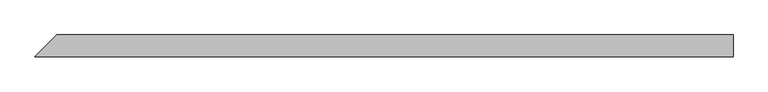
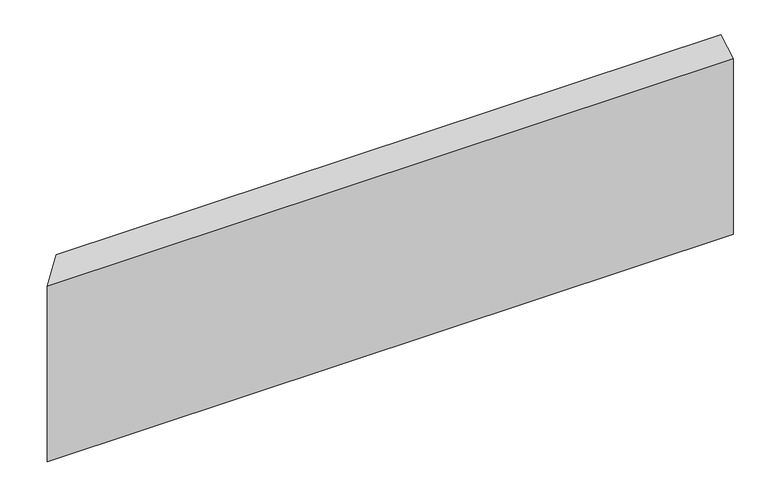
"""IFC4 building model written with IfcOpenShell, lengths in millimetres: beam geometry."""

import ifcopenshell
import ifcopenshell.guid

model = None  # the IFC model being written
_history = None  # IfcOwnerHistory: only IFC2X3 demands one
_inside = {}  # id of a spatial element -> (the spatial element, [elements in it])
_under = {}  # id of a project, library or spatial element -> (it, [spatial elements below it])
_declared = {}  # id of a project -> (the project, [libraries it declares])
_typed = {}  # id of a type object -> (the type object, [elements of that type])
_made_of = {}  # id of a material, layer set ... -> (it, [elements and type objects made of it])


def new_model(schema):
    """Start an empty IFC model of exactly this schema.

    Asked for "IFC4X3", IfcOpenShell would pick the latest addendum, in which some entities
    have other attributes; the version numbers below select the first issue.
    IFC2X3 requires an IfcOwnerHistory on every rooted entity: one is made here for all.
    """
    global model, _history
    if schema == "IFC4X3":
        model = ifcopenshell.file(schema_version=(4, 3, 0, 0))
    else:
        model = ifcopenshell.file(schema=schema)
    _inside.clear()
    _under.clear()
    _declared.clear()
    _typed.clear()
    _made_of.clear()
    _history = None
    if model.schema == "IFC2X3":
        org = make("IfcOrganization", Name="unknown")
        user = make(
            "IfcPersonAndOrganization",
            ThePerson=make("IfcPerson", FamilyName="unknown"),
            TheOrganization=org,
        )
        app = make(
            "IfcApplication",
            ApplicationDeveloper=org,
            Version="unknown",
            ApplicationFullName="unknown",
            ApplicationIdentifier="unknown",
        )
        _history = make(
            "IfcOwnerHistory",
            OwningUser=user,
            OwningApplication=app,
            ChangeAction="ADDED",
            CreationDate=0,
        )
    return model


def make(cls, **values):
    """One entity of the class cls with the attributes given. An attribute that is None is left unset."""
    return model.create_entity(
        cls, **{name: value for name, value in values.items() if value is not None}
    )


def rooted(cls, **values):
    """An entity with a GlobalId (a new one), such as an element, a storey or a relation."""
    return make(cls, GlobalId=ifcopenshell.guid.new(), OwnerHistory=_history, **values)


def si_unit(unit_type, name, prefix=None):
    """IfcSIUnit, for example si_unit("LENGTHUNIT", "METRE", prefix="MILLI")."""
    return make("IfcSIUnit", UnitType=unit_type, Prefix=prefix, Name=name)


def assignment(units):
    """IfcUnitAssignment: the units of a project."""
    return None if units is None else make("IfcUnitAssignment", Units=units)


def point(xyz):
    """IfcCartesianPoint."""
    return None if xyz is None else make("IfcCartesianPoint", Coordinates=xyz)


def direction(xyz):
    """IfcDirection."""
    return None if xyz is None else make("IfcDirection", DirectionRatios=xyz)


def frame(location, z_axis=None, x_axis=None):
    """IfcAxis2Placement3D, a coordinate frame: its origin and axes. An axis left out is left unset."""
    return make(
        "IfcAxis2Placement3D",
        Location=point(location),
        Axis=direction(z_axis),
        RefDirection=direction(x_axis),
    )


def origin():
    """The frame at (0, 0, 0) with its axes left unset."""
    return frame((0.0, 0.0, 0.0))


def place(relative_to, where):
    """IfcLocalPlacement: puts the frame where relative to a parent placement (None: the world)."""
    return make(
        "IfcLocalPlacement", PlacementRelTo=relative_to, RelativePlacement=where
    )


def context(
    kind, dimensions, precision=None, world=None, true_north=None, identifier=None
):
    """IfcGeometricRepresentationContext, for example the 3D "Model" context."""
    return make(
        "IfcGeometricRepresentationContext",
        ContextIdentifier=identifier,
        ContextType=kind,
        CoordinateSpaceDimension=dimensions,
        Precision=precision,
        WorldCoordinateSystem=world,
        TrueNorth=true_north,
    )


def project(units=None, contexts=None):
    """IfcProject with its units and contexts."""
    return rooted(
        "IfcProject",
        Name="project",
        RepresentationContexts=contexts,
        UnitsInContext=assignment(units),
    )


def spatial(cls, under=None, at=None, **own):
    """A site, building, storey or space (cls), placed at a placement, below another one or the project."""
    s = rooted(cls, ObjectPlacement=at, **own)
    if under is not None:
        _under.setdefault(under.id(), (under, []))[1].append(s)
    return s


def faces_of(points, faces, orient=None, outer=None):
    """IfcFace entities. A face is a list of loops; a loop is a list of indices into points, from 0.

    orient and outer hold one flag for each loop. By default every Orientation is true, the
    first loop of a face is its IfcFaceOuterBound and the others are IfcFaceBound.
    """
    made = []
    for i, loops in enumerate(faces):
        bounds = []
        for j, loop in enumerate(loops):
            is_outer = j == 0 if outer is None else outer[i][j]
            bounds.append(
                make(
                    "IfcFaceOuterBound" if is_outer else "IfcFaceBound",
                    Bound=make("IfcPolyLoop", Polygon=[points[k] for k in loop]),
                    Orientation=True if orient is None else orient[i][j],
                )
            )
        made.append(make("IfcFace", Bounds=bounds))
    return made


def faceted_brep(points, faces, orient=None, outer=None, voids=None):
    """IfcFacetedBrep: a solid bounded by flat faces; with voids (closed shells), ...WithVoids."""
    shared = [point(p) for p in points]
    hull = make("IfcClosedShell", CfsFaces=faces_of(shared, faces, orient, outer))
    if voids is None:
        return make("IfcFacetedBrep", Outer=hull)
    return make(
        "IfcFacetedBrepWithVoids",
        Outer=hull,
        Voids=[
            make(cls, CfsFaces=faces_of(shared, fs, o, b)) for cls, fs, o, b in voids
        ],
    )


def shape(context_of_items, identifier, shape_type, items):
    """IfcShapeRepresentation: the items that make up one representation, for example the "Body"."""
    return make(
        "IfcShapeRepresentation",
        ContextOfItems=context_of_items,
        RepresentationIdentifier=identifier,
        RepresentationType=shape_type,
        Items=items,
    )


def source(mapping_origin, context_of_items, identifier, shape_type, items):
    """IfcRepresentationMap: a shape defined once, which mapped items show again and again."""
    return make(
        "IfcRepresentationMap",
        MappingOrigin=mapping_origin,
        MappedRepresentation=shape(context_of_items, identifier, shape_type, items),
    )


def transform(
    local_origin,
    x_axis=None,
    y_axis=None,
    z_axis=None,
    scale=None,
    scale2=None,
    scale3=None,
    uniform=True,
):
    """IfcCartesianTransformationOperator3D, or its non-uniform kind. x_axis, y_axis, z_axis: its Axis1, 2, 3."""
    if uniform:
        return make(
            "IfcCartesianTransformationOperator3D",
            Axis1=direction(x_axis),
            Axis2=direction(y_axis),
            LocalOrigin=point(local_origin),
            Scale=scale,
            Axis3=direction(z_axis),
        )
    return make(
        "IfcCartesianTransformationOperator3DnonUniform",
        Axis1=direction(x_axis),
        Axis2=direction(y_axis),
        LocalOrigin=point(local_origin),
        Scale=scale,
        Axis3=direction(z_axis),
        Scale2=scale2,
        Scale3=scale3,
    )


def mapped(mapping_source, mapping_target):
    """IfcMappedItem: shows the shape of a source again, moved by a transform."""
    return make(
        "IfcMappedItem", MappingSource=mapping_source, MappingTarget=mapping_target
    )


def made_of(thing, what):
    """Note that an element or type object is made of a material, layer set ...; save() writes the relation."""
    if what is not None:
        _made_of.setdefault(what.id(), (what, []))[1].append(thing)
    return thing


def element(
    cls,
    number,
    at=None,
    inside=None,
    cuts=None,
    type_object=None,
    material=None,
    context=None,
    identifier="Body",
    shape_type=None,
    held_by="IfcProductDefinitionShape",
    body=None,
    shapes=None,
    **own,
):
    """One element of the class cls, such as IfcWall. Its Tag is "e" and its number.

    at: its placement. inside: the storey or other place that contains it. cuts: it is an
    opening in that element (IfcRelVoidsElement). A single representation is given by context,
    identifier, shape_type and body (its items); several are given by shapes. held_by: the class
    of the entity that holds the representations. save() writes the other relations.
    """
    e = rooted(cls, Tag="e%d" % number, ObjectPlacement=at, **own)
    if body is not None:
        shapes = [shape(context, identifier, shape_type, body)]
    if shapes is not None:
        e.Representation = make(held_by, Representations=shapes)
    if inside is not None:
        _inside.setdefault(inside.id(), (inside, []))[1].append(e)
    if cuts is not None:
        rooted(
            "IfcRelVoidsElement", RelatingBuildingElement=cuts, RelatedOpeningElement=e
        )
    if type_object is not None:
        _typed.setdefault(type_object.id(), (type_object, []))[1].append(e)
    return made_of(e, material)


def aggregate(whole, parts):
    """IfcRelAggregates: a whole, such as a stair, and the parts it consists of."""
    return rooted("IfcRelAggregates", RelatingObject=whole, RelatedObjects=parts)


def save(model, path):
    """Write the relations noted so far, then the file.

    IfcRelAggregates (storeys below a building ...), IfcRelContainedInSpatialStructure (elements
    in a storey), IfcRelDefinesByType, IfcRelAssociatesMaterial and IfcRelDeclares: one each for
    every whole, place, type object, material and project.
    """
    for whole, parts in _under.values():
        aggregate(whole, parts)
    for where, things in _inside.values():
        rooted(
            "IfcRelContainedInSpatialStructure",
            RelatedElements=things,
            RelatingStructure=where,
        )
    for kind, things in _typed.values():
        rooted("IfcRelDefinesByType", RelatedObjects=things, RelatingType=kind)
    for what, things in _made_of.values():
        rooted("IfcRelAssociatesMaterial", RelatedObjects=things, RelatingMaterial=what)
    for by, libraries in _declared.values():
        rooted("IfcRelDeclares", RelatingContext=by, RelatedDefinitions=libraries)
    model.write(path)


def beam_9de750e7(model_context):
    return source(origin(), model_context, "Body", "Brep", [
        faceted_brep([(601.8296158, -19.05, 154.2944112), (-620.8796158, -19.05, 154.2944112), (-620.8796158, -19.05, -176.5194112), (601.8296158, -19.05, -176.5194112), (601.8296158, 19.05, 176.5194112), (601.8296158, 19.05, -154.2944112), (-582.7796158, 19.05, -154.2944112), (-582.7796158, 19.05, 176.5194112)], [[[0, 1, 2, 3]], [[4, 5, 6, 7]], [[5, 4, 0, 3]], [[6, 5, 3, 2]], [[7, 6, 2, 1]], [[4, 7, 1, 0]]]),
    ])


if __name__ == "__main__":
    model = new_model("IFC4")
    model_context = context("Model", 3, world=origin())
    ifc_project = project(units=[si_unit("LENGTHUNIT", "METRE", prefix="MILLI")], contexts=[model_context])
    site = spatial("IfcSite", under=ifc_project)
    building = spatial("IfcBuilding", under=site)
    placement = place(None, origin())
    beam_shape = beam_9de750e7(model_context)
    element("IfcBeam", 1, at=placement, inside=building, context=model_context, shape_type="MappedRepresentation", body=[
        mapped(beam_shape, transform((0.0, 0.0, 0.0), x_axis=(1.0, 0.0, 0.0), y_axis=(0.0, 1.0, 0.0), z_axis=(0.0, 0.0, 1.0))),
    ])
    save(model, "model.ifc")
